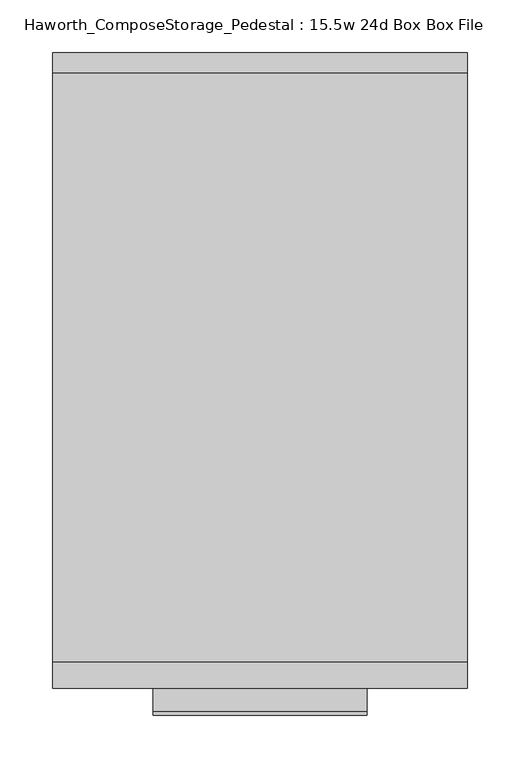
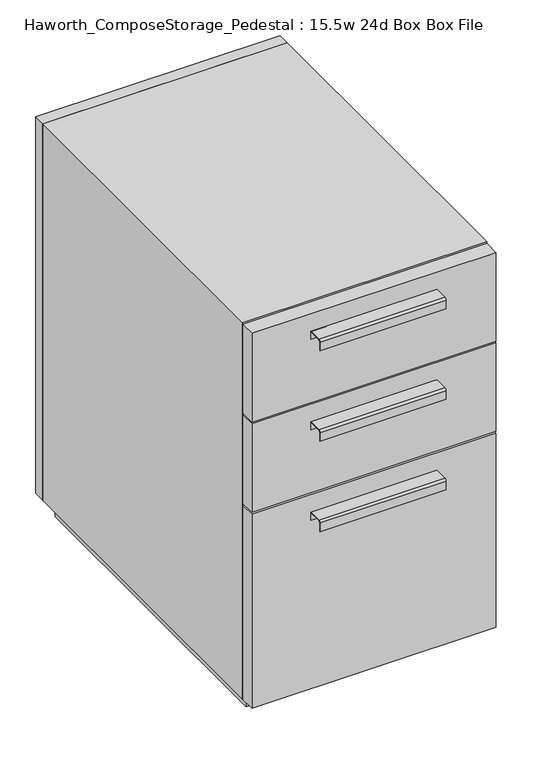
"""IFC4 building model written with IfcOpenShell, lengths in millimetres: furniture geometry, Haworth_ComposeStorage_Pedestal : 15.5w 24d Box Box File."""

from ifc_helpers import new_model, si_unit, point, frame, frame_2d, origin, origin_with_axes, place, context, project, spatial, polyline, circle_curve, trimmed, segment, composite_curve, outline, extrude, source, transform, mapped, element, save


def haworth_composestorage_pedestal_15_5w_24d_box_box_file_4a74d7a1(model_context):
    return source(origin(), model_context, "Body", "SweptSolid", [
        extrude(outline(composite_curve([segment(polyline([(-276.2250242, 633.9919215), (-254.0, 633.9919215), (-254.0, 620.5299525), (-254.7937742, 620.5299525), (-254.7937742, 633.1982199), (-276.2250242, 633.1982199)]), True, "CONTINUOUS"), segment(trimmed(circle_curve(frame_2d((-276.2250242, 630.8142808)), 2.3839392), [point((-276.2250242, 633.1982199))], [point((-278.6089634, 630.8142808))], True, "CARTESIAN"), True, "CONTINUOUS"), segment(polyline([(-278.6089634, 630.8142808), (-278.6089634, 616.2119021), (-279.3999758, 616.2119021), (-279.3999758, 630.8169699)]), True, "CONTINUOUS"), segment(trimmed(circle_curve(frame_2d((-276.2250242, 630.8169699)), 3.1749516), [point((-279.3999758, 630.8169699))], [point((-276.2250242, 633.9919215))], False, "CARTESIAN"), True, "CONTINUOUS")], self_intersect=False)), frame((-101.5861094, 0.0, 0.0), z_axis=(1.0, 0.0, 0.0), x_axis=(0.0, 1.0, 0.0)), (0.0, 0.0, 1.0), 203.2),
        extrude(outline(polyline([(196.8638906, -228.6), (196.8638906, -254.0), (-196.8361094, -254.0), (-196.8361094, -228.6), (196.8638906, -228.6)])), frame((0.0, 0.0, 512.7625), z_axis=(0.0, 0.0, 1.0), x_axis=(1.0, 0.0, 0.0)), (0.0, 0.0, 1.0), 150.8125),
        extrude(outline(composite_curve([segment(polyline([(-276.2250242, 480.0044215), (-254.0, 480.0044215), (-254.0, 466.5424525), (-254.7937742, 466.5424525), (-254.7937742, 479.2107199), (-276.2250242, 479.2107199)]), True, "CONTINUOUS"), segment(trimmed(circle_curve(frame_2d((-276.2250242, 476.8267808)), 2.3839392), [point((-276.2250242, 479.2107199))], [point((-278.6089634, 476.8267808))], True, "CARTESIAN"), True, "CONTINUOUS"), segment(polyline([(-278.6089634, 476.8267808), (-278.6089634, 462.2244021), (-279.3999758, 462.2244021), (-279.3999758, 476.8294699)]), True, "CONTINUOUS"), segment(trimmed(circle_curve(frame_2d((-276.2250242, 476.8294699)), 3.1749516), [point((-279.3999758, 476.8294699))], [point((-276.2250242, 480.0044215))], False, "CARTESIAN"), True, "CONTINUOUS")], self_intersect=False)), frame((-101.5861094, 0.0, 0.0), z_axis=(1.0, 0.0, 0.0), x_axis=(0.0, 1.0, 0.0)), (0.0, 0.0, 1.0), 203.2),
        extrude(outline(polyline([(196.8638906, -228.6), (196.8638906, -254.0), (-196.8361094, -254.0), (-196.8361094, -228.6), (196.8638906, -228.6)])), frame((0.0, 0.0, 358.775), z_axis=(0.0, 0.0, 1.0), x_axis=(1.0, 0.0, 0.0)), (0.0, 0.0, 1.0), 150.8125),
        extrude(outline(composite_curve([segment(polyline([(-276.2250242, 326.0169215), (-254.0, 326.0169215), (-254.0, 312.5549525), (-254.7937742, 312.5549525), (-254.7937742, 325.2232199), (-276.2250242, 325.2232199)]), True, "CONTINUOUS"), segment(trimmed(circle_curve(frame_2d((-276.2250242, 322.8392808)), 2.3839392), [point((-276.2250242, 325.2232199))], [point((-278.6089634, 322.8392808))], True, "CARTESIAN"), True, "CONTINUOUS"), segment(polyline([(-278.6089634, 322.8392808), (-278.6089634, 308.2369021), (-279.3999758, 308.2369021), (-279.3999758, 322.8419699)]), True, "CONTINUOUS"), segment(trimmed(circle_curve(frame_2d((-276.2250242, 322.8419699)), 3.1749516), [point((-279.3999758, 322.8419699))], [point((-276.2250242, 326.0169215))], False, "CARTESIAN"), True, "CONTINUOUS")], self_intersect=False)), frame((-101.5861094, 0.0, 0.0), z_axis=(1.0, 0.0, 0.0), x_axis=(0.0, 1.0, 0.0)), (0.0, 0.0, 1.0), 203.2),
        extrude(outline(polyline([(196.8638906, -228.6), (196.8638906, -254.0), (-196.8361094, -254.0), (-196.8361094, -228.6), (196.8638906, -228.6)])), frame((0.0, 0.0, 25.4), z_axis=(0.0, 0.0, 1.0), x_axis=(1.0, 0.0, 0.0)), (0.0, 0.0, 1.0), 330.2),
        extrude(outline(polyline([(196.8638906, 330.2), (-196.8361094, 330.2), (-196.8361094, 349.25), (196.8638906, 349.25), (196.8638906, 330.2)])), frame((0.0, 0.0, 25.4), z_axis=(0.0, 0.0, 1.0), x_axis=(1.0, 0.0, 0.0)), (0.0, 0.0, 1.0), 641.35),
        extrude(outline(polyline([(25.4, -196.8361094), (25.4, 196.8638906), (666.75, 196.8638906), (666.75, -196.8361094), (25.4, -196.8361094)]), holes=[polyline([(44.45, -177.7861094), (647.7, -177.7861094), (647.7, 177.8069453), (44.45, 177.8069453), (44.45, -177.7861094)])]), frame((0.0, -228.6, 0.0), z_axis=(0.0, 1.0, 0.0), x_axis=(0.0, 0.0, 1.0)), (0.0, 0.0, 1.0), 558.8),
        extrude(outline(polyline([(-177.7791641, 295.275), (-177.7791641, 304.8), (177.8069453, 304.8), (177.8069453, 295.275), (-177.7791641, 295.275)])), frame((0.0, 0.0, 44.45), z_axis=(0.0, 0.0, 1.0), x_axis=(1.0, 0.0, 0.0)), (0.0, 0.0, 1.0), 603.25),
        extrude(outline(polyline([(184.1638906, -215.9), (-184.1361094, -215.9), (-184.1361094, 317.5), (184.1638906, 317.5), (184.1638906, -215.9)])), origin_with_axes(), (0.0, 0.0, 1.0), 25.4),
    ])


if __name__ == "__main__":
    model = new_model("IFC4")
    model_context = context("Model", 3, world=origin())
    ifc_project = project(units=[si_unit("LENGTHUNIT", "METRE", prefix="MILLI")], contexts=[model_context])
    site = spatial("IfcSite", under=ifc_project)
    building = spatial("IfcBuilding", under=site)
    placement = place(None, origin())
    haworth_composestorage_pedestal_15_5w_24d_box_box_file_shape = haworth_composestorage_pedestal_15_5w_24d_box_box_file_4a74d7a1(model_context)
    element("IfcFurniture", 1, ObjectType="Haworth_ComposeStorage_Pedestal : 15.5w 24d Box Box File", at=placement, inside=building, context=model_context, shape_type="MappedRepresentation", body=[
        mapped(haworth_composestorage_pedestal_15_5w_24d_box_box_file_shape, transform((0.0, 0.0, 0.0), x_axis=(1.0, 0.0, 0.0), y_axis=(0.0, 1.0, 0.0), z_axis=(0.0, 0.0, 1.0))),
    ])
    save(model, "model.ifc")
